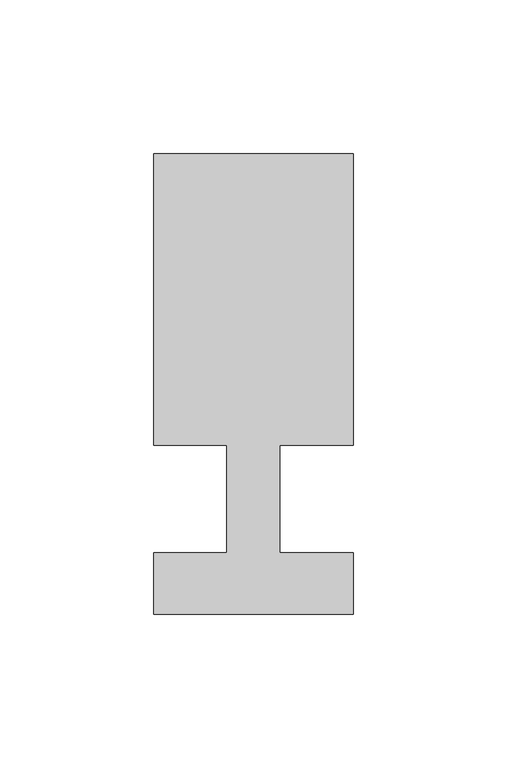
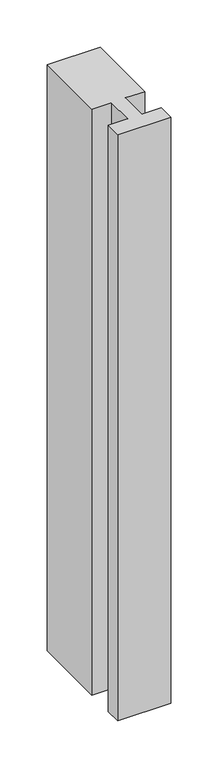
"""IFC4 building model written with IfcOpenShell, lengths in millimetres: member geometry."""

import ifcopenshell
import ifcopenshell.guid

model = None  # the IFC model being written
_history = None  # IfcOwnerHistory: only IFC2X3 demands one
_inside = {}  # id of a spatial element -> (the spatial element, [elements in it])
_under = {}  # id of a project, library or spatial element -> (it, [spatial elements below it])
_declared = {}  # id of a project -> (the project, [libraries it declares])
_typed = {}  # id of a type object -> (the type object, [elements of that type])
_made_of = {}  # id of a material, layer set ... -> (it, [elements and type objects made of it])


def new_model(schema):
    """Start an empty IFC model of exactly this schema.

    Asked for "IFC4X3", IfcOpenShell would pick the latest addendum, in which some entities
    have other attributes; the version numbers below select the first issue.
    IFC2X3 requires an IfcOwnerHistory on every rooted entity: one is made here for all.
    """
    global model, _history
    if schema == "IFC4X3":
        model = ifcopenshell.file(schema_version=(4, 3, 0, 0))
    else:
        model = ifcopenshell.file(schema=schema)
    _inside.clear()
    _under.clear()
    _declared.clear()
    _typed.clear()
    _made_of.clear()
    _history = None
    if model.schema == "IFC2X3":
        org = make("IfcOrganization", Name="unknown")
        user = make(
            "IfcPersonAndOrganization",
            ThePerson=make("IfcPerson", FamilyName="unknown"),
            TheOrganization=org,
        )
        app = make(
            "IfcApplication",
            ApplicationDeveloper=org,
            Version="unknown",
            ApplicationFullName="unknown",
            ApplicationIdentifier="unknown",
        )
        _history = make(
            "IfcOwnerHistory",
            OwningUser=user,
            OwningApplication=app,
            ChangeAction="ADDED",
            CreationDate=0,
        )
    return model


def make(cls, **values):
    """One entity of the class cls with the attributes given. An attribute that is None is left unset."""
    return model.create_entity(
        cls, **{name: value for name, value in values.items() if value is not None}
    )


def rooted(cls, **values):
    """An entity with a GlobalId (a new one), such as an element, a storey or a relation."""
    return make(cls, GlobalId=ifcopenshell.guid.new(), OwnerHistory=_history, **values)


def si_unit(unit_type, name, prefix=None):
    """IfcSIUnit, for example si_unit("LENGTHUNIT", "METRE", prefix="MILLI")."""
    return make("IfcSIUnit", UnitType=unit_type, Prefix=prefix, Name=name)


def assignment(units):
    """IfcUnitAssignment: the units of a project."""
    return None if units is None else make("IfcUnitAssignment", Units=units)


def point(xyz):
    """IfcCartesianPoint."""
    return None if xyz is None else make("IfcCartesianPoint", Coordinates=xyz)


def direction(xyz):
    """IfcDirection."""
    return None if xyz is None else make("IfcDirection", DirectionRatios=xyz)


def frame(location, z_axis=None, x_axis=None):
    """IfcAxis2Placement3D, a coordinate frame: its origin and axes. An axis left out is left unset."""
    return make(
        "IfcAxis2Placement3D",
        Location=point(location),
        Axis=direction(z_axis),
        RefDirection=direction(x_axis),
    )


def origin():
    """The frame at (0, 0, 0) with its axes left unset."""
    return frame((0.0, 0.0, 0.0))


def place(relative_to, where):
    """IfcLocalPlacement: puts the frame where relative to a parent placement (None: the world)."""
    return make(
        "IfcLocalPlacement", PlacementRelTo=relative_to, RelativePlacement=where
    )


def context(
    kind, dimensions, precision=None, world=None, true_north=None, identifier=None
):
    """IfcGeometricRepresentationContext, for example the 3D "Model" context."""
    return make(
        "IfcGeometricRepresentationContext",
        ContextIdentifier=identifier,
        ContextType=kind,
        CoordinateSpaceDimension=dimensions,
        Precision=precision,
        WorldCoordinateSystem=world,
        TrueNorth=true_north,
    )


def project(units=None, contexts=None):
    """IfcProject with its units and contexts."""
    return rooted(
        "IfcProject",
        Name="project",
        RepresentationContexts=contexts,
        UnitsInContext=assignment(units),
    )


def spatial(cls, under=None, at=None, **own):
    """A site, building, storey or space (cls), placed at a placement, below another one or the project."""
    s = rooted(cls, ObjectPlacement=at, **own)
    if under is not None:
        _under.setdefault(under.id(), (under, []))[1].append(s)
    return s


def polyline(points):
    """IfcPolyline through the points."""
    return make("IfcPolyline", Points=[point(p) for p in points])


def outline(outer, holes=None, kind="AREA"):
    """IfcArbitraryClosedProfileDef: a profile drawn as a closed curve; with holes, ...WithVoids."""
    if holes is None:
        return make("IfcArbitraryClosedProfileDef", ProfileType=kind, OuterCurve=outer)
    return make(
        "IfcArbitraryProfileDefWithVoids",
        ProfileType=kind,
        OuterCurve=outer,
        InnerCurves=holes,
    )


def extrude(swept, where, along, depth):
    """IfcExtrudedAreaSolid: the profile swept, set in the frame where, extruded along a direction by depth."""
    return make(
        "IfcExtrudedAreaSolid",
        SweptArea=swept,
        Position=where,
        ExtrudedDirection=direction(along),
        Depth=depth,
    )


def shape(context_of_items, identifier, shape_type, items):
    """IfcShapeRepresentation: the items that make up one representation, for example the "Body"."""
    return make(
        "IfcShapeRepresentation",
        ContextOfItems=context_of_items,
        RepresentationIdentifier=identifier,
        RepresentationType=shape_type,
        Items=items,
    )


def source(mapping_origin, context_of_items, identifier, shape_type, items):
    """IfcRepresentationMap: a shape defined once, which mapped items show again and again."""
    return make(
        "IfcRepresentationMap",
        MappingOrigin=mapping_origin,
        MappedRepresentation=shape(context_of_items, identifier, shape_type, items),
    )


def transform(
    local_origin,
    x_axis=None,
    y_axis=None,
    z_axis=None,
    scale=None,
    scale2=None,
    scale3=None,
    uniform=True,
):
    """IfcCartesianTransformationOperator3D, or its non-uniform kind. x_axis, y_axis, z_axis: its Axis1, 2, 3."""
    if uniform:
        return make(
            "IfcCartesianTransformationOperator3D",
            Axis1=direction(x_axis),
            Axis2=direction(y_axis),
            LocalOrigin=point(local_origin),
            Scale=scale,
            Axis3=direction(z_axis),
        )
    return make(
        "IfcCartesianTransformationOperator3DnonUniform",
        Axis1=direction(x_axis),
        Axis2=direction(y_axis),
        LocalOrigin=point(local_origin),
        Scale=scale,
        Axis3=direction(z_axis),
        Scale2=scale2,
        Scale3=scale3,
    )


def mapped(mapping_source, mapping_target):
    """IfcMappedItem: shows the shape of a source again, moved by a transform."""
    return make(
        "IfcMappedItem", MappingSource=mapping_source, MappingTarget=mapping_target
    )


def made_of(thing, what):
    """Note that an element or type object is made of a material, layer set ...; save() writes the relation."""
    if what is not None:
        _made_of.setdefault(what.id(), (what, []))[1].append(thing)
    return thing


def element(
    cls,
    number,
    at=None,
    inside=None,
    cuts=None,
    type_object=None,
    material=None,
    context=None,
    identifier="Body",
    shape_type=None,
    held_by="IfcProductDefinitionShape",
    body=None,
    shapes=None,
    **own,
):
    """One element of the class cls, such as IfcWall. Its Tag is "e" and its number.

    at: its placement. inside: the storey or other place that contains it. cuts: it is an
    opening in that element (IfcRelVoidsElement). A single representation is given by context,
    identifier, shape_type and body (its items); several are given by shapes. held_by: the class
    of the entity that holds the representations. save() writes the other relations.
    """
    e = rooted(cls, Tag="e%d" % number, ObjectPlacement=at, **own)
    if body is not None:
        shapes = [shape(context, identifier, shape_type, body)]
    if shapes is not None:
        e.Representation = make(held_by, Representations=shapes)
    if inside is not None:
        _inside.setdefault(inside.id(), (inside, []))[1].append(e)
    if cuts is not None:
        rooted(
            "IfcRelVoidsElement", RelatingBuildingElement=cuts, RelatedOpeningElement=e
        )
    if type_object is not None:
        _typed.setdefault(type_object.id(), (type_object, []))[1].append(e)
    return made_of(e, material)


def aggregate(whole, parts):
    """IfcRelAggregates: a whole, such as a stair, and the parts it consists of."""
    return rooted("IfcRelAggregates", RelatingObject=whole, RelatedObjects=parts)


def save(model, path):
    """Write the relations noted so far, then the file.

    IfcRelAggregates (storeys below a building ...), IfcRelContainedInSpatialStructure (elements
    in a storey), IfcRelDefinesByType, IfcRelAssociatesMaterial and IfcRelDeclares: one each for
    every whole, place, type object, material and project.
    """
    for whole, parts in _under.values():
        aggregate(whole, parts)
    for where, things in _inside.values():
        rooted(
            "IfcRelContainedInSpatialStructure",
            RelatedElements=things,
            RelatingStructure=where,
        )
    for kind, things in _typed.values():
        rooted("IfcRelDefinesByType", RelatedObjects=things, RelatingType=kind)
    for what, things in _made_of.values():
        rooted("IfcRelAssociatesMaterial", RelatedObjects=things, RelatingMaterial=what)
    for by, libraries in _declared.values():
        rooted("IfcRelDeclares", RelatingContext=by, RelatedDefinitions=libraries)
    model.write(path)


def member_043293ad(model_context):
    return source(origin(), model_context, "Body", "SweptSolid", [
        extrude(outline(polyline([(0.0, -37.0), (-65.0, -37.0), (-65.0, -17.0), (-41.1875, -17.0), (-41.1875, 18.0), (-65.0, 18.0), (-65.0, 113.0), (0.0, 113.0), (0.0, 18.0), (-23.8125, 18.0), (-23.8125, -17.0), (0.0, -17.0), (0.0, -37.0)])), frame((0.0, 0.0, -760.0), z_axis=(0.0, 0.0, 1.0), x_axis=(1.0, 0.0, 0.0)), (0.0, 0.0, 1.0), 760.0),
    ])


if __name__ == "__main__":
    model = new_model("IFC4")
    model_context = context("Model", 3, world=origin())
    ifc_project = project(units=[si_unit("LENGTHUNIT", "METRE", prefix="MILLI")], contexts=[model_context])
    site = spatial("IfcSite", under=ifc_project)
    building = spatial("IfcBuilding", under=site)
    placement = place(None, origin())
    member_shape = member_043293ad(model_context)
    element("IfcMember", 1, at=placement, inside=building, context=model_context, shape_type="MappedRepresentation", body=[
        mapped(member_shape, transform((0.0, 0.0, 0.0), x_axis=(1.0, 0.0, 0.0), y_axis=(0.0, 1.0, 0.0), z_axis=(0.0, 0.0, 1.0))),
    ])
    save(model, "model.ifc")
